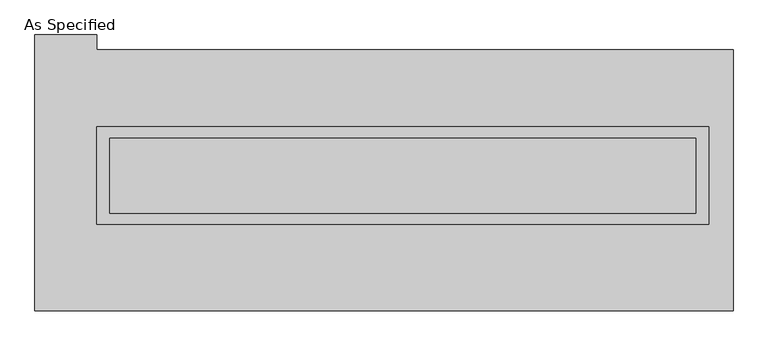
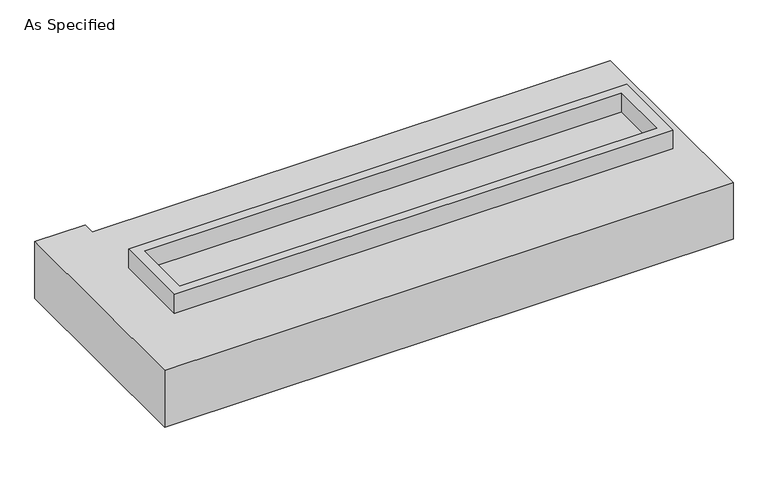
"""IFC4 building model written with IfcOpenShell, lengths in millimetres: proxy geometry, As Specified."""

from ifc_helpers import new_model, si_unit, frame, origin, place, context, project, spatial, polyline, outline, extrude, source, transform, mapped, element, save


def as_specified_fb3eda59(model_context):
    return source(origin(), model_context, "Body", "SweptSolid", [
        extrude(outline(polyline([(2070.1, 361.95), (2070.1, -298.45), (-2070.1, -298.45), (-2070.1, 361.95), (2070.1, 361.95)]), holes=[polyline([(1981.2, 285.75), (-1981.2, 285.75), (-1981.2, -222.25), (1981.2, -222.25), (1981.2, 285.75)])]), frame((0.0, 0.0, -688.975), z_axis=(0.0, 0.0, 1.0), x_axis=(1.0, 0.0, 0.0)), (0.0, 0.0, 1.0), 165.1),
        extrude(outline(polyline([(2070.1, 361.95), (2070.1, -298.45), (-2070.1, -298.45), (-2070.1, 361.95), (2070.1, 361.95)]), holes=[polyline([(1981.2, 285.75), (-1981.2, 285.75), (-1981.2, -222.25), (1981.2, -222.25), (1981.2, 285.75)])]), frame((0.0, 0.0, -25.4), z_axis=(0.0, 0.0, 1.0), x_axis=(1.0, 0.0, 0.0)), (0.0, 0.0, 1.0), 165.1),
        extrude(outline(polyline([(1981.2, 285.75), (1981.2, -222.25), (-1981.2, -222.25), (-1981.2, 285.75), (1981.2, 285.75)])), frame((0.0, 0.0, -523.875), z_axis=(0.0, 0.0, 1.0), x_axis=(1.0, 0.0, 0.0)), (0.0, 0.0, 1.0), 4.9609375),
        extrude(outline(polyline([(1981.2, 285.75), (1981.2, -222.25), (-1981.2, -222.25), (-1981.2, 285.75), (1981.2, 285.75)])), frame((0.0, 0.0, -30.3609375), z_axis=(0.0, 0.0, 1.0), x_axis=(1.0, 0.0, 0.0)), (0.0, 0.0, 1.0), 4.9609375),
        extrude(outline(polyline([(2235.2, -882.65), (-2489.2, -882.65), (-2489.2, 984.25), (-2070.1, 984.25), (-2070.1, 882.65), (2235.2, 882.65), (2235.2, -882.65)]), holes=[polyline([(-2070.1, 361.95), (-2070.1, -298.45), (2070.1, -298.45), (2070.1, 361.95), (-2070.1, 361.95)])]), frame((0.0, 0.0, -523.875), z_axis=(0.0, 0.0, 1.0), x_axis=(1.0, 0.0, 0.0)), (0.0, 0.0, 1.0), 498.475),
    ])


if __name__ == "__main__":
    model = new_model("IFC4")
    model_context = context("Model", 3, world=origin())
    ifc_project = project(units=[si_unit("LENGTHUNIT", "METRE", prefix="MILLI")], contexts=[model_context])
    site = spatial("IfcSite", under=ifc_project)
    building = spatial("IfcBuilding", under=site)
    placement = place(None, origin())
    as_specified_shape = as_specified_fb3eda59(model_context)
    element("IfcBuildingElementProxy", 1, Name="As Specified", ObjectType="As Specified", at=placement, inside=building, context=model_context, shape_type="MappedRepresentation", body=[
        mapped(as_specified_shape, transform((0.0, 0.0, 0.0), x_axis=(1.0, 0.0, 0.0), y_axis=(0.0, 1.0, 0.0), z_axis=(0.0, 0.0, 1.0))),
    ])
    save(model, "model.ifc")
